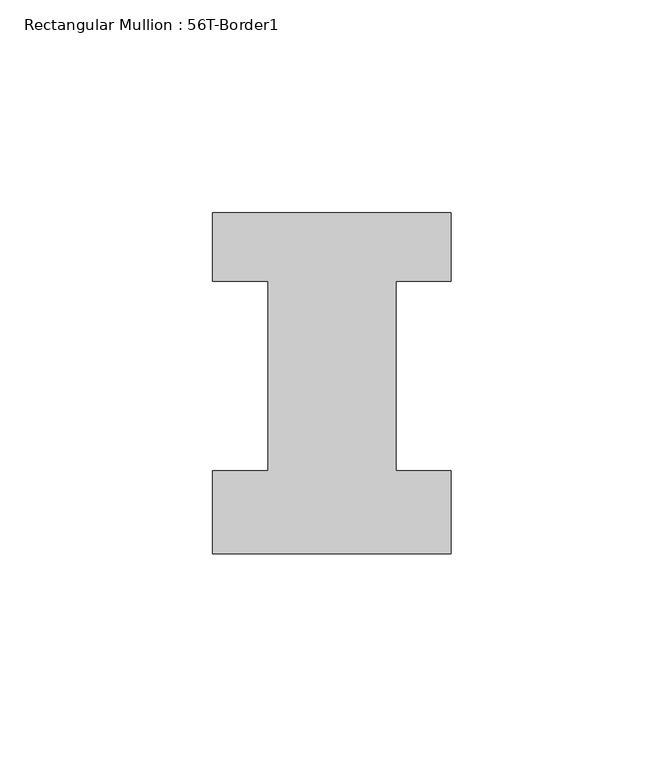
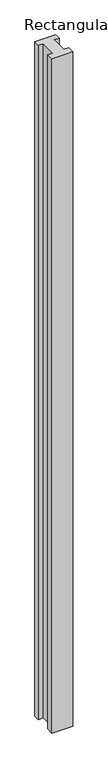
"""IFC4 building model written with IfcOpenShell, lengths in millimetres: member geometry, Rectangular Mullion : 56T-Border1."""

from ifc_helpers import new_model, si_unit, frame, origin, place, context, project, spatial, polyline, outline, extrude, source, transform, mapped, element, save


def rectangular_mullion_56t_border1_e4c97285(model_context):
    return source(origin(), model_context, "Body", "SweptSolid", [
        extrude(outline(polyline([(-56.0, -20.0), (-56.0, -0.5), (-43.0, -0.5), (-43.0, 44.0), (-56.0, 44.0), (-56.0, 60.0), (0.0, 60.0), (0.0, 44.0), (-13.0, 44.0), (-13.0, -0.5), (0.0, -0.5), (0.0, -20.0), (-56.0, -20.0)])), frame((0.0, 0.0, -1928.0), z_axis=(0.0, 0.0, 1.0), x_axis=(1.0, 0.0, 0.0)), (0.0, 0.0, 1.0), 1928.0),
    ])


if __name__ == "__main__":
    model = new_model("IFC4")
    model_context = context("Model", 3, world=origin())
    ifc_project = project(units=[si_unit("LENGTHUNIT", "METRE", prefix="MILLI")], contexts=[model_context])
    site = spatial("IfcSite", under=ifc_project)
    building = spatial("IfcBuilding", under=site)
    placement = place(None, origin())
    rectangular_mullion_56t_border1_shape = rectangular_mullion_56t_border1_e4c97285(model_context)
    element("IfcMember", 1, ObjectType="Rectangular Mullion : 56T-Border1", at=placement, inside=building, context=model_context, shape_type="MappedRepresentation", body=[
        mapped(rectangular_mullion_56t_border1_shape, transform((0.0, 0.0, 0.0), x_axis=(1.0, 0.0, 0.0), y_axis=(0.0, 1.0, 0.0), z_axis=(0.0, 0.0, 1.0))),
    ])
    save(model, "model.ifc")
